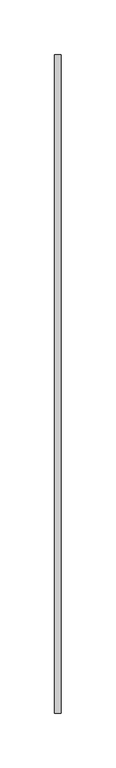
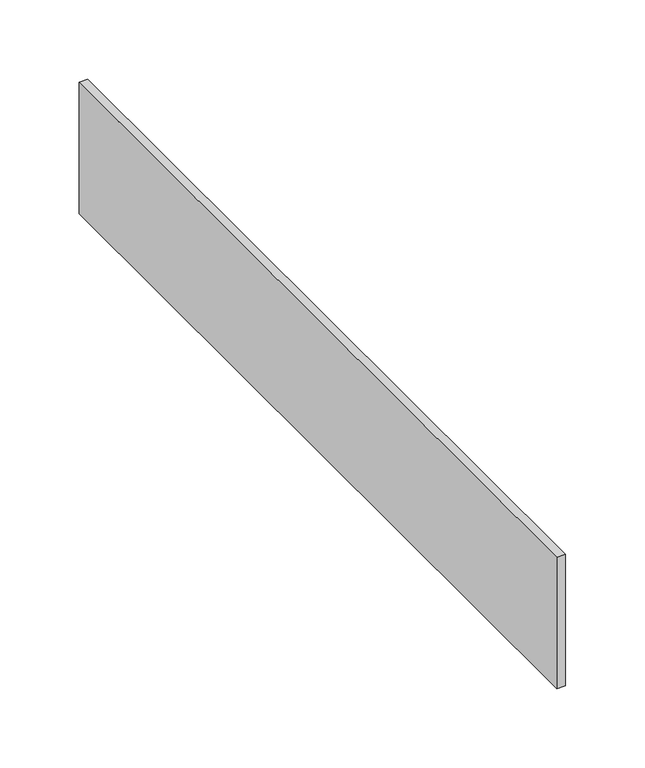
"""IFC4 building model written with IfcOpenShell, lengths in millimetres: proxy geometry."""

from ifc_helpers import new_model, si_unit, frame, origin, place, context, project, spatial, polyline, outline, extrude, source, transform, mapped, element, save


def generic_models_150b2a4a(model_context):
    return source(origin(), model_context, "Body", "SweptSolid", [
        extrude(outline(polyline([(-4402.2448603, 10228.5001285), (-4402.2448603, 9624.7046464), (-4408.5948603, 9624.7046464), (-4408.5948603, 10228.5001285), (-4402.2448603, 10228.5001285)])), frame((0.0, 0.0, 3835.4), z_axis=(0.0, 0.0, 1.0), x_axis=(1.0, 0.0, 0.0)), (0.0, 0.0, 1.0), 101.6),
    ])


if __name__ == "__main__":
    model = new_model("IFC4")
    model_context = context("Model", 3, world=origin())
    ifc_project = project(units=[si_unit("LENGTHUNIT", "METRE", prefix="MILLI")], contexts=[model_context])
    site = spatial("IfcSite", under=ifc_project)
    building = spatial("IfcBuilding", under=site)
    placement = place(None, origin())
    generic_models_shape = generic_models_150b2a4a(model_context)
    element("IfcBuildingElementProxy", 1, Name="Generic Models", at=placement, inside=building, context=model_context, shape_type="MappedRepresentation", body=[
        mapped(generic_models_shape, transform((0.0, 0.0, 0.0), x_axis=(1.0, 0.0, 0.0), y_axis=(0.0, 1.0, 0.0), z_axis=(0.0, 0.0, 1.0))),
    ])
    save(model, "model.ifc")
